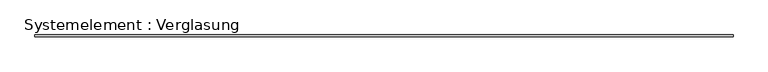
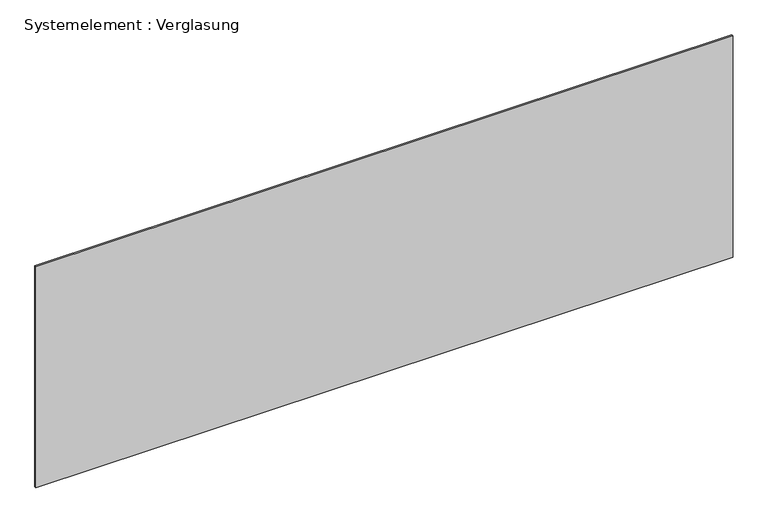
"""IFC4 building model written with IfcOpenShell, lengths in millimetres: plate geometry, Systemelement : Verglasung."""

from ifc_helpers import new_model, si_unit, origin, origin_with_axes, place, context, project, spatial, polyline, outline, extrude, source, transform, mapped, element, save


def systemelement_verglasung_a3c24f53(model_context):
    return source(origin(), model_context, "Body", "SweptSolid", [
        extrude(outline(polyline([(6202.2426055, -15.0), (-6202.2426055, -15.0), (-6202.2426055, 15.0), (6202.2426055, 15.0), (6202.2426055, -15.0)])), origin_with_axes(), (0.0, 0.0, 1.0), 4160.0),
    ])


if __name__ == "__main__":
    model = new_model("IFC4")
    model_context = context("Model", 3, world=origin())
    ifc_project = project(units=[si_unit("LENGTHUNIT", "METRE", prefix="MILLI")], contexts=[model_context])
    site = spatial("IfcSite", under=ifc_project)
    building = spatial("IfcBuilding", under=site)
    placement = place(None, origin())
    systemelement_verglasung_shape = systemelement_verglasung_a3c24f53(model_context)
    element("IfcPlate", 1, ObjectType="Systemelement : Verglasung", at=placement, inside=building, context=model_context, shape_type="MappedRepresentation", body=[
        mapped(systemelement_verglasung_shape, transform((0.0, 0.0, 0.0), x_axis=(1.0, 0.0, 0.0), y_axis=(0.0, 1.0, 0.0), z_axis=(0.0, 0.0, 1.0))),
    ])
    save(model, "model.ifc")
